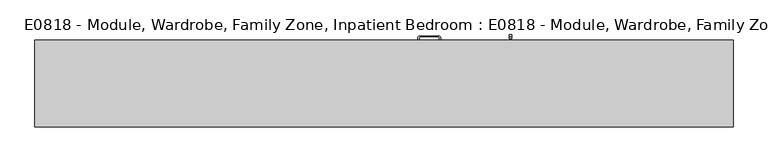
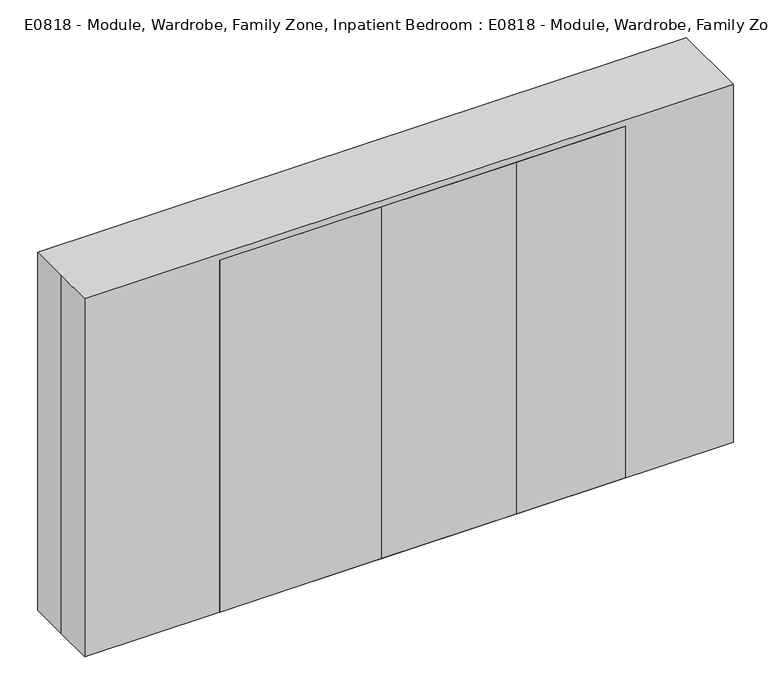
"""IFC4 building model written with IfcOpenShell, lengths in millimetres: proxy geometry, E0818 - Module, Wardrobe, Family Zone, Inpatient Bedroom : E0818 - Module, Wardrobe, Family Zone, Inpatient Bedroom."""

from ifc_helpers import new_model, si_unit, point, frame, frame_2d, origin, origin_with_axes, place, context, project, spatial, polyline, circle_curve, trimmed, segment, composite_curve, outline, extrude, source, transform, mapped, element, save


def e0818_module_wardrobe_family_zone_inpatient_bedroom_e0818_9bbcefad(model_context):
    return source(origin(), model_context, "Body", "SweptSolid", [
        extrude(outline(composite_curve([segment(trimmed(circle_curve(frame_2d((247.2941975, 1098.6890537)), 9.0467295), [point((247.2941975, 1107.7357832))], [point((256.3409269, 1098.6890537))], False, "CARTESIAN"), True, "CONTINUOUS"), segment(polyline([(256.3409269, 1098.6890537), (256.3409269, 998.2847417)]), True, "CONTINUOUS"), segment(trimmed(circle_curve(frame_2d((247.2987514, 998.2847417)), 9.0421756), [point((256.3409269, 998.2847417))], [point((247.2987514, 989.2425662))], False, "CARTESIAN"), True, "CONTINUOUS"), segment(polyline([(247.2987514, 989.2425662), (235.4978567, 989.2425662), (235.4978567, 1107.7357832), (247.2941975, 1107.7357832)]), True, "CONTINUOUS")], self_intersect=False), holes=[composite_curve([segment(polyline([(245.0473372, 1097.6680216), (236.3960853, 1097.6680216), (236.3960853, 999.3057739), (245.3639528, 999.3057739)]), True, "CONTINUOUS"), segment(trimmed(circle_curve(frame_2d((245.3639528, 1003.7240678)), 4.418294), [point((245.3639528, 999.3057739))], [point((249.5374653, 1002.2738556))], True, "CARTESIAN"), True, "CONTINUOUS"), segment(polyline([(249.5374653, 1002.2738556), (249.5374653, 1093.1778935)]), True, "CONTINUOUS"), segment(trimmed(circle_curve(frame_2d((245.0473372, 1093.1778935)), 4.4901281), [point((249.5374653, 1093.1778935))], [point((245.0473372, 1097.6680216))], True, "CARTESIAN"), True, "CONTINUOUS")], self_intersect=False)]), frame((656.2541476, 0.0, 0.0), z_axis=(1.0, 0.0, 0.0), x_axis=(0.0, 1.0, 0.0)), (0.0, 0.0, 1.0), 12.2584805),
        extrude(outline(polyline([(1219.2141172, 228.6), (1219.2141172, -186.8041189), (609.6141172, -186.8041189), (609.6141172, 228.6), (1219.2141172, 228.6)])), frame((0.0, 0.0, 101.5287116), z_axis=(0.0, 0.0, 1.0), x_axis=(1.0, 0.0, 0.0)), (0.0, 0.0, 1.0), 1994.9672165),
        extrude(outline(composite_curve([segment(trimmed(circle_curve(frame_2d((186.6931313, 241.3553945)), 9.0467295), [point((177.6464018, 241.3553945))], [point((186.6931313, 250.4021239))], False, "CARTESIAN"), True, "CONTINUOUS"), segment(polyline([(186.6931313, 250.4021239), (287.0974432, 250.4021239)]), True, "CONTINUOUS"), segment(trimmed(circle_curve(frame_2d((287.0974432, 241.3599484)), 9.0421756), [point((287.0974432, 250.4021239))], [point((296.1396188, 241.3599484))], False, "CARTESIAN"), True, "CONTINUOUS"), segment(polyline([(296.1396188, 241.3599484), (296.1396188, 229.5590537), (177.6464018, 229.5590537), (177.6464018, 241.3553945)]), True, "CONTINUOUS")], self_intersect=False), holes=[composite_curve([segment(polyline([(187.9024795, 239.1085342), (187.9024795, 230.4572823), (286.2647272, 230.4572823), (286.2647272, 239.4251498)]), True, "CONTINUOUS"), segment(trimmed(circle_curve(frame_2d((281.8464333, 239.4251498)), 4.418294), [point((286.2647272, 239.4251498))], [point((283.2966455, 243.5986623))], True, "CARTESIAN"), True, "CONTINUOUS"), segment(polyline([(283.2966455, 243.5986623), (192.3926076, 243.5986623)]), True, "CONTINUOUS"), segment(trimmed(circle_curve(frame_2d((192.3926076, 239.1085342)), 4.4901281), [point((192.3926076, 243.5986623))], [point((187.9024795, 239.1085342))], True, "CARTESIAN"), True, "CONTINUOUS")], self_intersect=False)]), frame((0.0, 0.0, 910.0040116), z_axis=(0.0, 0.0, 1.0), x_axis=(1.0, 0.0, 0.0)), (0.0, 0.0, 1.0), 12.4081513),
        extrude(outline(composite_curve([segment(trimmed(circle_curve(frame_2d((186.6931313, 241.3553945)), 9.0467295), [point((177.6464018, 241.3553945))], [point((186.6931313, 250.4021239))], False, "CARTESIAN"), True, "CONTINUOUS"), segment(polyline([(186.6931313, 250.4021239), (287.0974432, 250.4021239)]), True, "CONTINUOUS"), segment(trimmed(circle_curve(frame_2d((287.0974432, 241.3599484)), 9.0421756), [point((287.0974432, 250.4021239))], [point((296.1396188, 241.3599484))], False, "CARTESIAN"), True, "CONTINUOUS"), segment(polyline([(296.1396188, 241.3599484), (296.1396188, 229.5590537), (177.6464018, 229.5590537), (177.6464018, 241.3553945)]), True, "CONTINUOUS")], self_intersect=False), holes=[composite_curve([segment(polyline([(187.9024795, 239.1085342), (187.9024795, 230.4572823), (286.2647272, 230.4572823), (286.2647272, 239.4251498)]), True, "CONTINUOUS"), segment(trimmed(circle_curve(frame_2d((281.8464333, 239.4251498)), 4.418294), [point((286.2647272, 239.4251498))], [point((283.2966455, 243.5986623))], True, "CARTESIAN"), True, "CONTINUOUS"), segment(polyline([(283.2966455, 243.5986623), (192.3926076, 243.5986623)]), True, "CONTINUOUS"), segment(trimmed(circle_curve(frame_2d((192.3926076, 239.1085342)), 4.4901281), [point((192.3926076, 243.5986623))], [point((187.9024795, 239.1085342))], True, "CARTESIAN"), True, "CONTINUOUS")], self_intersect=False)]), frame((0.0, 0.0, 630.2566007), z_axis=(0.0, 0.0, 1.0), x_axis=(1.0, 0.0, 0.0)), (0.0, 0.0, 1.0), 13.536165),
        extrude(outline(composite_curve([segment(trimmed(circle_curve(frame_2d((186.6931313, 241.3553945)), 9.0467295), [point((177.6464018, 241.3553945))], [point((186.6931313, 250.4021239))], False, "CARTESIAN"), True, "CONTINUOUS"), segment(polyline([(186.6931313, 250.4021239), (287.0974432, 250.4021239)]), True, "CONTINUOUS"), segment(trimmed(circle_curve(frame_2d((287.0974432, 241.3599484)), 9.0421756), [point((287.0974432, 250.4021239))], [point((296.1396188, 241.3599484))], False, "CARTESIAN"), True, "CONTINUOUS"), segment(polyline([(296.1396188, 241.3599484), (296.1396188, 229.5590537), (177.6464018, 229.5590537), (177.6464018, 241.3553945)]), True, "CONTINUOUS")], self_intersect=False), holes=[composite_curve([segment(polyline([(187.9024795, 239.1085342), (187.9024795, 230.4572823), (286.2647272, 230.4572823), (286.2647272, 239.4251498)]), True, "CONTINUOUS"), segment(trimmed(circle_curve(frame_2d((281.8464333, 239.4251498)), 4.418294), [point((286.2647272, 239.4251498))], [point((283.2966455, 243.5986623))], True, "CARTESIAN"), True, "CONTINUOUS"), segment(polyline([(283.2966455, 243.5986623), (192.3926076, 243.5986623)]), True, "CONTINUOUS"), segment(trimmed(circle_curve(frame_2d((192.3926076, 239.1085342)), 4.4901281), [point((192.3926076, 243.5986623))], [point((187.9024795, 239.1085342))], True, "CARTESIAN"), True, "CONTINUOUS")], self_intersect=False)]), frame((0.0, 0.0, 353.9564428), z_axis=(0.0, 0.0, 1.0), x_axis=(1.0, 0.0, 0.0)), (0.0, 0.0, 1.0), 12.2584805),
        extrude(outline(polyline([(609.6141172, 228.6), (609.6141172, -186.8041189), (-152.3858828, -186.8041189), (-152.3858828, 228.6), (609.6141172, 228.6)])), frame((0.0, 0.0, 656.1191064), z_axis=(0.0, 0.0, 1.0), x_axis=(1.0, 0.0, 0.0)), (0.0, 0.0, 1.0), 277.2951974),
        extrude(outline(polyline([(609.6141172, 228.6), (609.6141172, -186.8041189), (-152.3858828, -186.8041189), (-152.3858828, 228.6), (609.6141172, 228.6)])), frame((0.0, 0.0, 378.823909), z_axis=(0.0, 0.0, 1.0), x_axis=(1.0, 0.0, 0.0)), (0.0, 0.0, 1.0), 277.2951974),
        extrude(outline(polyline([(609.6141172, 228.6), (609.6141172, -186.8041189), (-152.3858828, -186.8041189), (-152.3858828, 228.6), (609.6141172, 228.6)])), frame((0.0, 0.0, 101.5287116), z_axis=(0.0, 0.0, 1.0), x_axis=(1.0, 0.0, 0.0)), (0.0, 0.0, 1.0), 277.2951974),
        extrude(outline(polyline([(1219.2141172, -186.8041189), (-152.3858828, -186.8041189), (-152.3858828, 217.2302914), (1219.2141172, 217.2302914), (1219.2141172, -186.8041189)])), origin_with_axes(), (0.0, 0.0, 1.0), 101.5287116),
        extrude(outline(polyline([(-152.3858828, 228.6), (-152.3858828, -186.8041189), (-203.1858828, -186.8041189), (-203.1858828, 228.6), (-152.3858828, 228.6)])), origin_with_axes(), (0.0, 0.0, 1.0), 933.4143038),
        extrude(outline(polyline([(609.6141172, -186.8041189), (-1066.8, -186.8041189), (-1066.8, 228.6), (609.6141172, 228.6), (609.6141172, -186.8041189)])), frame((0.0, 0.0, 933.4143038), z_axis=(0.0, 0.0, 1.0), x_axis=(1.0, 0.0, 0.0)), (0.0, 0.0, 1.0), 31.7856962),
        extrude(outline(polyline([(-1016.0, 228.6), (-1016.0, -186.8041189), (-1066.8, -186.8041189), (-1066.8, 228.6), (-1016.0, 228.6)])), origin_with_axes(), (0.0, 0.0, 1.0), 933.4143038),
        extrude(outline(polyline([(1219.2141172, -228.6), (609.6141172, -228.6), (609.6141172, -186.8041189), (1219.2141172, -186.8041189), (1219.2141172, -228.6)])), origin_with_axes(), (0.0, 0.0, 1.0), 2096.4959281),
        extrude(outline(polyline([(609.6141172, -228.6), (-152.3858828, -228.6), (-152.3858828, -186.8041189), (609.6141172, -186.8041189), (609.6141172, -228.6)])), origin_with_axes(), (0.0, 0.0, 1.0), 2096.4959281),
        extrude(outline(polyline([(-152.3858828, -228.6), (-1066.8, -228.6), (-1066.8, -186.8041189), (-152.3858828, -186.8041189), (-152.3858828, -228.6)])), origin_with_axes(), (0.0, 0.0, 1.0), 2096.4959281),
        extrude(outline(polyline([(-1828.8, -228.6), (-1828.8, 0.0), (-1828.8, 228.6), (1828.8, 228.6), (1828.8, -228.6), (-1828.8, -228.6)])), origin_with_axes(), (0.0, 0.0, 1.0), 2133.6),
    ])


if __name__ == "__main__":
    model = new_model("IFC4")
    model_context = context("Model", 3, world=origin())
    ifc_project = project(units=[si_unit("LENGTHUNIT", "METRE", prefix="MILLI")], contexts=[model_context])
    site = spatial("IfcSite", under=ifc_project)
    building = spatial("IfcBuilding", under=site)
    placement = place(None, origin())
    e0818_module_wardrobe_family_zone_inpatient_bedroom_e0818_shape = e0818_module_wardrobe_family_zone_inpatient_bedroom_e0818_9bbcefad(model_context)
    element("IfcBuildingElementProxy", 1, Name="E0818 - Module, Wardrobe, Family Zone, Inpatient Bedroom : E0818 - Module, Wardrobe, Family Zone, Inpatient Bedroom", ObjectType="E0818 - Module, Wardrobe, Family Zone, Inpatient Bedroom : E0818 - Module, Wardrobe, Family Zone, Inpatient Bedroom", at=placement, inside=building, context=model_context, shape_type="MappedRepresentation", body=[
        mapped(e0818_module_wardrobe_family_zone_inpatient_bedroom_e0818_shape, transform((0.0, 0.0, 0.0), x_axis=(1.0, 0.0, 0.0), y_axis=(0.0, 1.0, 0.0), z_axis=(0.0, 0.0, 1.0))),
    ])
    save(model, "model.ifc")
